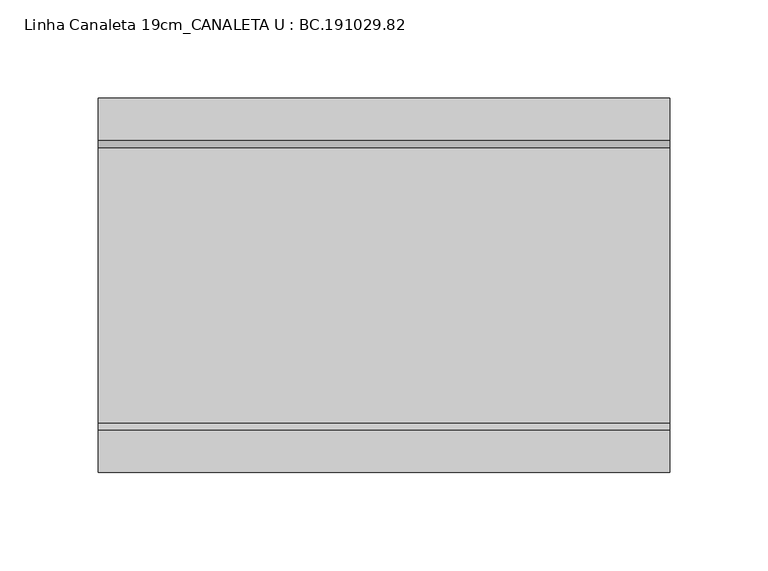
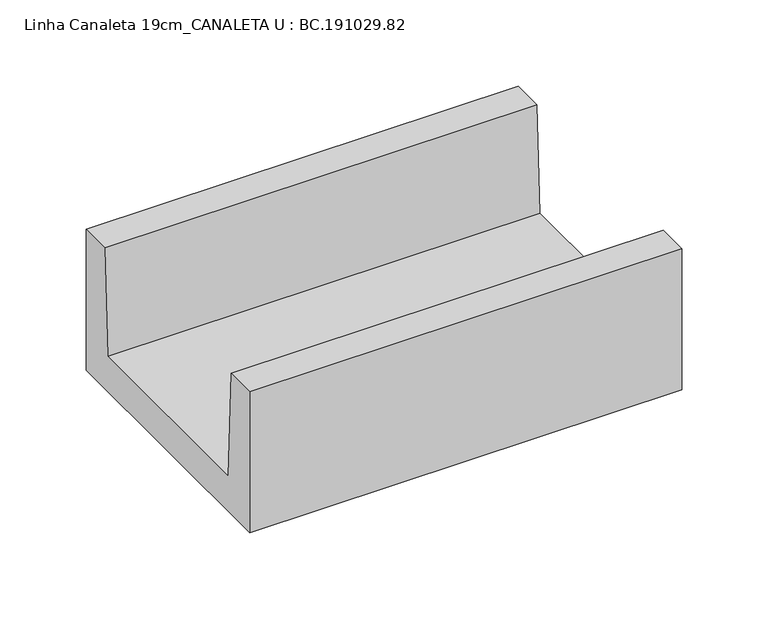
"""IFC4 building model written with IfcOpenShell, lengths in millimetres: proxy geometry, Linha Canaleta 19cm_CANALETA U : BC.191029.82."""

from ifc_helpers import new_model, si_unit, frame, origin, place, context, project, spatial, polyline, outline, extrude, source, transform, mapped, element, save


def linha_canaleta_19cm_canaleta_u_bc_191029_82_7480aafd(model_context):
    return source(origin(), model_context, "Body", "SweptSolid", [
        extrude(outline(polyline([(95.0050293, 99.9938965), (95.0050293, 0.0), (-95.0050293, 0.0), (-95.0050293, 99.9938965), (-73.4063477, 99.9938965), (-70.0019043, 25.003125), (70.0019043, 25.003125), (73.4063477, 99.9938965), (95.0050293, 99.9938965)])), frame((5.0, 0.0, 0.0), z_axis=(1.0, 0.0, 0.0), x_axis=(0.0, 1.0, 0.0)), (0.0, 0.0, 1.0), 290.0),
    ])


if __name__ == "__main__":
    model = new_model("IFC4")
    model_context = context("Model", 3, world=origin())
    ifc_project = project(units=[si_unit("LENGTHUNIT", "METRE", prefix="MILLI")], contexts=[model_context])
    site = spatial("IfcSite", under=ifc_project)
    building = spatial("IfcBuilding", under=site)
    placement = place(None, origin())
    linha_canaleta_19cm_canaleta_u_bc_191029_82_shape = linha_canaleta_19cm_canaleta_u_bc_191029_82_7480aafd(model_context)
    element("IfcBuildingElementProxy", 1, Name="Linha Canaleta 19cm_CANALETA U : BC.191029.82", ObjectType="Linha Canaleta 19cm_CANALETA U : BC.191029.82", at=placement, inside=building, context=model_context, shape_type="MappedRepresentation", body=[
        mapped(linha_canaleta_19cm_canaleta_u_bc_191029_82_shape, transform((0.0, 0.0, 0.0), x_axis=(1.0, 0.0, 0.0), y_axis=(0.0, 1.0, 0.0), z_axis=(0.0, 0.0, 1.0))),
    ])
    save(model, "model.ifc")
